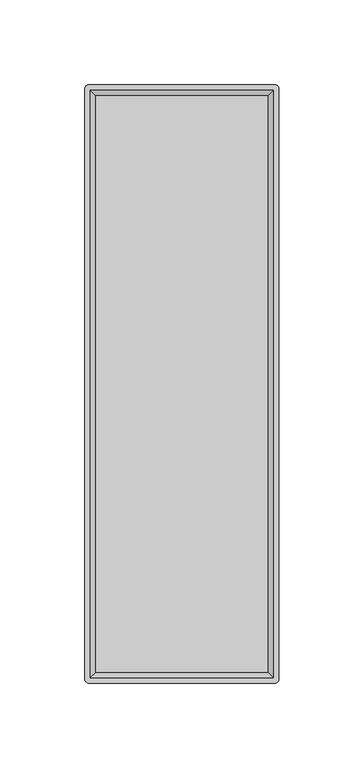
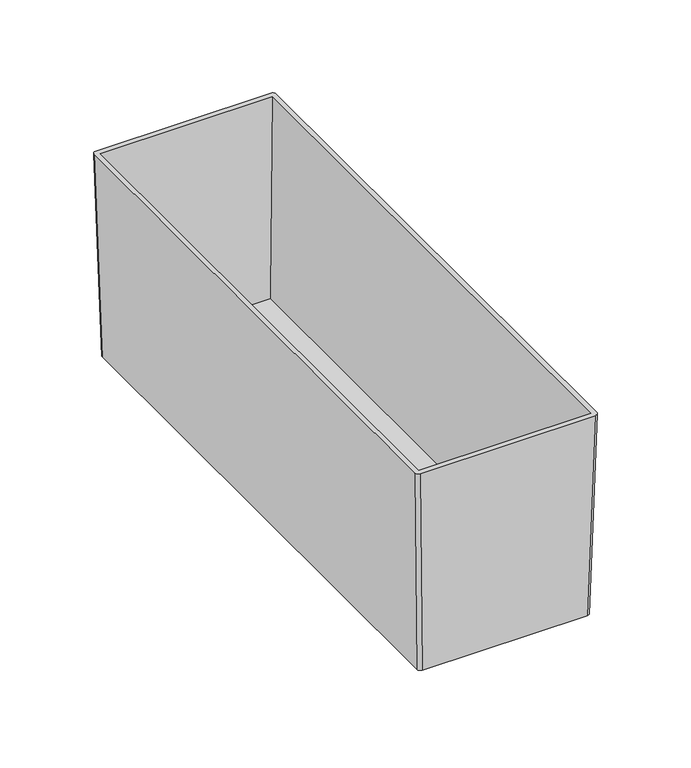
"""IFC4 building model written with IfcOpenShell, lengths in millimetres: furniture geometry."""

from ifc_helpers import new_model, si_unit, point, frame, origin, place, context, project, spatial, circle_curve, trimmed, source, transform, mapped, element, save
from ifc_brep_helpers import plane_surface, extruded_surface, advanced_brep


def furniture_b8630645(model_context):
    return source(origin(), model_context, "Body", "AdvancedBrep", [
        advanced_brep(
        [(51.7525, 173.0375, -133.35), (53.975, 170.815, -133.35), (53.975, -170.815, -133.35), (51.7525, -173.0375, -133.35), (-51.7525, -173.0375, -133.35), (-53.975, -170.815, -133.35), (-53.975, 170.815, -133.35), (-51.7525, 173.0375, -133.35), (54.9275, 176.2125, 0.0), (-54.9275, 176.2125, 0.0), (-57.15, 173.99, 0.0), (-57.15, -173.99, 0.0), (-54.9275, -176.2125, 0.0), (54.9275, -176.2125, 0.0), (57.15, -173.99, 0.0), (57.15, 173.99, 0.0), (-53.975, 173.0375, 0.0), (53.975, 173.0375, 0.0), (53.975, -173.0375, 0.0), (-53.975, -173.0375, 0.0), (50.8, 169.8625, -130.81), (-50.8, 169.8625, -130.81), (-50.8, -169.8625, -130.81), (50.8, -169.8625, -130.81)],
        [
            (0, 1, circle_curve(frame((51.7525, 170.815, -133.35), z_axis=(0.0, 0.0, -1.0), x_axis=(-1.0, 0.0, 0.0)), 2.2225)),
            (1, 2),
            (2, 3, circle_curve(frame((51.7525, -170.815, -133.35), z_axis=(0.0, 0.0, -1.0), x_axis=(-1.0, 0.0, 0.0)), 2.2225)),
            (3, 4),
            (4, 5, circle_curve(frame((-51.7525, -170.815, -133.35), z_axis=(0.0, 0.0, -1.0), x_axis=(-1.0, 0.0, 0.0)), 2.2225)),
            (5, 6),
            (6, 7, circle_curve(frame((-51.7525, 170.815, -133.35), z_axis=(0.0, 0.0, -1.0), x_axis=(-1.0, 0.0, 0.0)), 2.2225)),
            (7, 0),
            (8, 9),
            (9, 10, circle_curve(frame((-54.9275, 173.99, 0.0), z_axis=(0.0, 0.0, 1.0), x_axis=(-1.0, 0.0, 0.0)), 2.2225)),
            (10, 11),
            (11, 12, circle_curve(frame((-54.9275, -173.99, 0.0), z_axis=(0.0, 0.0, 1.0), x_axis=(-1.0, 0.0, 0.0)), 2.2225)),
            (12, 13),
            (13, 14, circle_curve(frame((54.9275, -173.99, 0.0), z_axis=(0.0, 0.0, 1.0), x_axis=(-1.0, 0.0, 0.0)), 2.2225)),
            (14, 15),
            (15, 8, circle_curve(frame((54.9275, 173.99, 0.0), z_axis=(0.0, 0.0, 1.0), x_axis=(-1.0, 0.0, 0.0)), 2.2225)),
            (16, 17),
            (17, 18),
            (18, 19),
            (19, 16),
            (7, 9),
            (8, 0),
            (6, 10),
            (5, 11),
            (4, 12),
            (3, 13),
            (2, 14),
            (1, 15),
            (20, 21),
            (21, 22),
            (22, 23),
            (23, 20),
            (20, 17),
            (16, 21),
            (19, 22),
            (18, 23),
        ],
        [
            plane_surface(frame((0.0, 0.0, -133.35), z_axis=(0.0, 0.0, -1.0), x_axis=(-1.0, 0.0, 0.0))),
            plane_surface(frame((0.0, 0.0, 0.0), z_axis=(0.0, 0.0, 1.0), x_axis=(-1.0, 0.0, 0.0))),
            plane_surface(frame((0.0, 176.2125, 0.0), z_axis=(0.0, 0.999716673744136, -0.023802777946298048), x_axis=(1.0, 0.0, 0.0))),
            extruded_surface(trimmed(circle_curve(frame((-54.9275, 173.99, 0.0), z_axis=(0.0, 0.0, -1.0), x_axis=(-1.0, 0.0, 0.0)), 2.2225), [point((-57.15, 173.99, 0.0))], [point((-54.9275, 176.2125, 0.0))], True, "CARTESIAN"), (3.1750000000000043, -3.1750000000000114, -133.35), 133.42557382301192),
            plane_surface(frame((-57.15, 0.0, 0.0), z_axis=(-0.9997166737441362, 0.0, -0.02380277794629076), x_axis=(0.0, 1.0, 0.0))),
            extruded_surface(trimmed(circle_curve(frame((-54.9275, -173.99, 0.0), z_axis=(0.0, 0.0, -1.0), x_axis=(-1.0, 0.0, 0.0)), 2.2225), [point((-54.9275, -176.2125, 0.0))], [point((-57.15, -173.99, 0.0))], True, "CARTESIAN"), (3.1750000000000043, 3.1750000000000114, -133.35), 133.42557382301192),
            plane_surface(frame((0.0, -176.2125, 0.0), z_axis=(0.0, -0.9997166737441574, -0.023802777945397445), x_axis=(-1.0, 0.0, 0.0))),
            extruded_surface(trimmed(circle_curve(frame((54.9275, -173.99, 0.0), z_axis=(0.0, 0.0, -1.0), x_axis=(-1.0, 0.0, 0.0)), 2.2225), [point((57.15, -173.99, 0.0))], [point((54.9275, -176.2125, 0.0))], True, "CARTESIAN"), (-3.1750000000000043, 3.1750000000000114, -133.35), 133.42557382301192),
            plane_surface(frame((57.15, 0.0, 0.0), z_axis=(0.9997166737441394, 0.0, -0.02380277794615562), x_axis=(0.0, -1.0, 0.0))),
            extruded_surface(trimmed(circle_curve(frame((54.9275, 173.99, 0.0), z_axis=(0.0, 0.0, -1.0), x_axis=(-1.0, 0.0, 0.0)), 2.2225), [point((54.9275, 176.2125, 0.0))], [point((57.15, 173.99, 0.0))], True, "CARTESIAN"), (-3.1750000000000043, -3.1750000000000114, -133.35), 133.42557382301192),
            plane_surface(frame((0.0, 0.0, -130.81), z_axis=(0.0, 0.0, 1.0), x_axis=(-1.0, 0.0, 0.0))),
            plane_surface(frame((0.0, 173.0375, 0.0), z_axis=(0.0, -0.9997055688640034, 0.02426469827340648), x_axis=(1.0, 0.0, 0.0))),
            plane_surface(frame((-53.975, 0.0, 0.0), z_axis=(0.9997055688640036, 0.0, 0.02426469827339736), x_axis=(0.0, 1.0, 0.0))),
            plane_surface(frame((0.0, -173.0375, 0.0), z_axis=(0.0, 0.9997055688639701, 0.02426469827477686), x_axis=(-1.0, 0.0, 0.0))),
            plane_surface(frame((53.975, 0.0, 0.0), z_axis=(-0.9997055688640002, 0.0, 0.024264698273538818), x_axis=(0.0, -1.0, 0.0))),
        ],
        [
            (0, [[1, 2, 3, 4, 5, 6, 7, 8]]),
            (1, [[9, 10, 11, 12, 13, 14, 15, 16], [17, 18, 19, 20]]),
            (2, [[-8, 21, -9, 22]]),
            (3, [[-7, 23, -10, -21]]),
            (4, [[-6, 24, -11, -23]]),
            (5, [[-5, 25, -12, -24]]),
            (6, [[-4, 26, -13, -25]]),
            (7, [[-3, 27, -14, -26]]),
            (8, [[-2, 28, -15, -27]]),
            (9, [[-1, -22, -16, -28]]),
            (10, [[29, 30, 31, 32]]),
            (11, [[-29, 33, -17, 34]]),
            (12, [[-30, -34, -20, 35]]),
            (13, [[-31, -35, -19, 36]]),
            (14, [[-32, -36, -18, -33]]),
        ],
    ),
    ])


if __name__ == "__main__":
    model = new_model("IFC4")
    model_context = context("Model", 3, world=origin())
    ifc_project = project(units=[si_unit("LENGTHUNIT", "METRE", prefix="MILLI")], contexts=[model_context])
    site = spatial("IfcSite", under=ifc_project)
    building = spatial("IfcBuilding", under=site)
    placement = place(None, origin())
    furniture_shape = furniture_b8630645(model_context)
    element("IfcFurniture", 1, at=placement, inside=building, context=model_context, shape_type="MappedRepresentation", body=[
        mapped(furniture_shape, transform((0.0, 0.0, 0.0), x_axis=(1.0, 0.0, 0.0), y_axis=(0.0, 1.0, 0.0), z_axis=(0.0, 0.0, 1.0))),
    ])
    save(model, "model.ifc")
